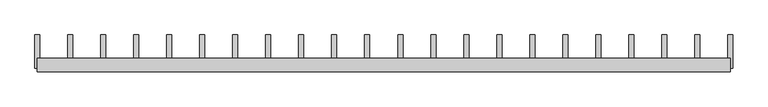
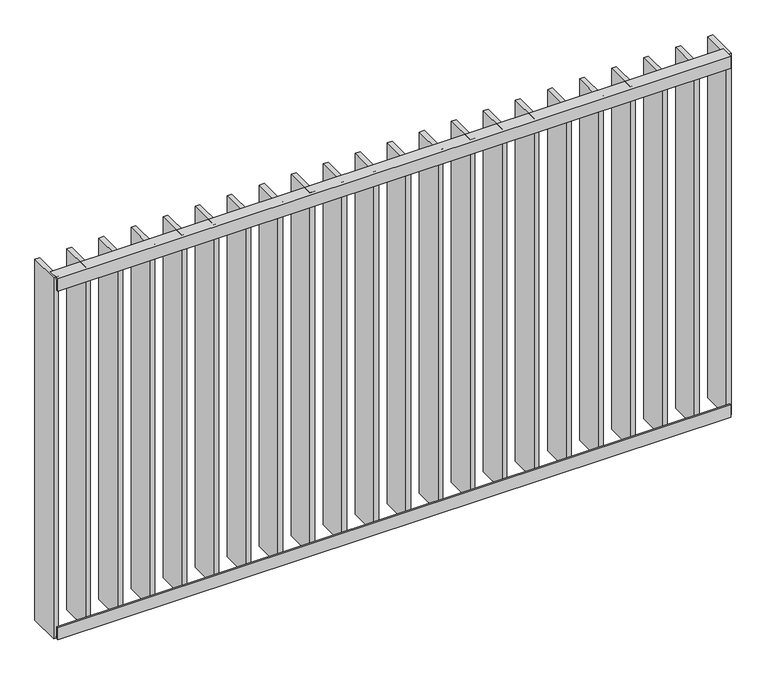
"""IFC4 building model written with IfcOpenShell, lengths in millimetres: railing geometry."""

from ifc_helpers import new_model, si_unit, frame, origin, place, context, project, spatial, polyline, outline, extrude, source, transform, mapped, element, save


def railing_a686d439(model_context):
    return source(origin(), model_context, "Body", "SweptSolid", [
        extrude(outline(polyline([(-14.0, -6.0), (-14.0, -40.0), (-20.0, -40.0), (-20.0, 0.0), (20.0, 0.0), (20.0, -6.0), (-14.0, -6.0)])), frame((4609.5112064, 30791.429446, 8000.0), z_axis=(1.0, -5.045744335172766e-12, 0.0), x_axis=(5.045744335172766e-12, 1.0, 0.0)), (0.0, 0.0, 1.0), 2080.0),
        extrude(outline(polyline([(-14.0, 6.0), (20.0, 6.0), (20.0, 0.0), (-20.0, 0.0), (-20.0, 40.0), (-14.0, 40.0), (-14.0, 6.0)])), frame((4609.5112064, 30791.429446, 6820.0), z_axis=(1.0, -5.045744335172766e-12, 0.0), x_axis=(5.045744335172766e-12, 1.0, 0.0)), (0.0, 0.0, 1.0), 2080.0),
        extrude(outline(polyline([(6582.9635874, 30781.429446), (6582.9635874, 30881.429446), (6597.9635874, 30881.429446), (6597.9635874, 30781.429446), (6582.9635874, 30781.429446)])), frame((0.0, 0.0, 6819.9), z_axis=(0.0, 0.0, 1.0), x_axis=(1.0, 0.0, 0.0)), (0.0, 0.0, 1.0), 1180.2),
        extrude(outline(polyline([(6483.9159683, 30781.429446), (6483.9159683, 30881.429446), (6498.9159683, 30881.429446), (6498.9159683, 30781.429446), (6483.9159683, 30781.429446)])), frame((0.0, 0.0, 6819.9), z_axis=(0.0, 0.0, 1.0), x_axis=(1.0, 0.0, 0.0)), (0.0, 0.0, 1.0), 1180.2),
        extrude(outline(polyline([(6384.8683493, 30781.429446), (6384.8683493, 30881.429446), (6399.8683493, 30881.429446), (6399.8683493, 30781.429446), (6384.8683493, 30781.429446)])), frame((0.0, 0.0, 6819.9), z_axis=(0.0, 0.0, 1.0), x_axis=(1.0, 0.0, 0.0)), (0.0, 0.0, 1.0), 1180.2),
        extrude(outline(polyline([(6285.8207302, 30781.429446), (6285.8207302, 30881.429446), (6300.8207302, 30881.429446), (6300.8207302, 30781.429446), (6285.8207302, 30781.429446)])), frame((0.0, 0.0, 6819.9), z_axis=(0.0, 0.0, 1.0), x_axis=(1.0, 0.0, 0.0)), (0.0, 0.0, 1.0), 1180.2),
        extrude(outline(polyline([(6186.7731112, 30781.429446), (6186.7731112, 30881.429446), (6201.7731112, 30881.429446), (6201.7731112, 30781.429446), (6186.7731112, 30781.429446)])), frame((0.0, 0.0, 6819.9), z_axis=(0.0, 0.0, 1.0), x_axis=(1.0, 0.0, 0.0)), (0.0, 0.0, 1.0), 1180.2),
        extrude(outline(polyline([(6087.7254921, 30781.429446), (6087.7254921, 30881.429446), (6102.7254921, 30881.429446), (6102.7254921, 30781.429446), (6087.7254921, 30781.429446)])), frame((0.0, 0.0, 6819.9), z_axis=(0.0, 0.0, 1.0), x_axis=(1.0, 0.0, 0.0)), (0.0, 0.0, 1.0), 1180.2),
        extrude(outline(polyline([(5988.6778731, 30781.429446), (5988.6778731, 30881.429446), (6003.6778731, 30881.429446), (6003.6778731, 30781.429446), (5988.6778731, 30781.429446)])), frame((0.0, 0.0, 6819.9), z_axis=(0.0, 0.0, 1.0), x_axis=(1.0, 0.0, 0.0)), (0.0, 0.0, 1.0), 1180.2),
        extrude(outline(polyline([(5889.630254, 30781.429446), (5889.630254, 30881.429446), (5904.630254, 30881.429446), (5904.630254, 30781.429446), (5889.630254, 30781.429446)])), frame((0.0, 0.0, 6819.9), z_axis=(0.0, 0.0, 1.0), x_axis=(1.0, 0.0, 0.0)), (0.0, 0.0, 1.0), 1180.2),
        extrude(outline(polyline([(5790.582635, 30781.429446), (5790.582635, 30881.429446), (5805.582635, 30881.429446), (5805.582635, 30781.429446), (5790.582635, 30781.429446)])), frame((0.0, 0.0, 6819.9), z_axis=(0.0, 0.0, 1.0), x_axis=(1.0, 0.0, 0.0)), (0.0, 0.0, 1.0), 1180.2),
        extrude(outline(polyline([(5691.5350159, 30781.429446), (5691.5350159, 30881.429446), (5706.5350159, 30881.429446), (5706.5350159, 30781.429446), (5691.5350159, 30781.429446)])), frame((0.0, 0.0, 6819.9), z_axis=(0.0, 0.0, 1.0), x_axis=(1.0, 0.0, 0.0)), (0.0, 0.0, 1.0), 1180.2),
        extrude(outline(polyline([(5592.4873969, 30781.429446), (5592.4873969, 30881.429446), (5607.4873969, 30881.429446), (5607.4873969, 30781.429446), (5592.4873969, 30781.429446)])), frame((0.0, 0.0, 6819.9), z_axis=(0.0, 0.0, 1.0), x_axis=(1.0, 0.0, 0.0)), (0.0, 0.0, 1.0), 1180.2),
        extrude(outline(polyline([(5493.4397778, 30781.429446), (5493.4397778, 30881.429446), (5508.4397778, 30881.429446), (5508.4397778, 30781.429446), (5493.4397778, 30781.429446)])), frame((0.0, 0.0, 6819.9), z_axis=(0.0, 0.0, 1.0), x_axis=(1.0, 0.0, 0.0)), (0.0, 0.0, 1.0), 1180.2),
        extrude(outline(polyline([(5394.3921588, 30781.429446), (5394.3921588, 30881.429446), (5409.3921588, 30881.429446), (5409.3921588, 30781.429446), (5394.3921588, 30781.429446)])), frame((0.0, 0.0, 6819.9), z_axis=(0.0, 0.0, 1.0), x_axis=(1.0, 0.0, 0.0)), (0.0, 0.0, 1.0), 1180.2),
        extrude(outline(polyline([(5295.3445398, 30781.429446), (5295.3445398, 30881.429446), (5310.3445398, 30881.429446), (5310.3445398, 30781.429446), (5295.3445398, 30781.429446)])), frame((0.0, 0.0, 6819.9), z_axis=(0.0, 0.0, 1.0), x_axis=(1.0, 0.0, 0.0)), (0.0, 0.0, 1.0), 1180.2),
        extrude(outline(polyline([(5196.2969207, 30781.429446), (5196.2969207, 30881.429446), (5211.2969207, 30881.429446), (5211.2969207, 30781.429446), (5196.2969207, 30781.429446)])), frame((0.0, 0.0, 6819.9), z_axis=(0.0, 0.0, 1.0), x_axis=(1.0, 0.0, 0.0)), (0.0, 0.0, 1.0), 1180.2),
        extrude(outline(polyline([(5097.2493017, 30781.429446), (5097.2493017, 30881.429446), (5112.2493017, 30881.429446), (5112.2493017, 30781.429446), (5097.2493017, 30781.429446)])), frame((0.0, 0.0, 6819.9), z_axis=(0.0, 0.0, 1.0), x_axis=(1.0, 0.0, 0.0)), (0.0, 0.0, 1.0), 1180.2),
        extrude(outline(polyline([(4998.2016826, 30781.429446), (4998.2016826, 30881.429446), (5013.2016826, 30881.429446), (5013.2016826, 30781.429446), (4998.2016826, 30781.429446)])), frame((0.0, 0.0, 6819.9), z_axis=(0.0, 0.0, 1.0), x_axis=(1.0, 0.0, 0.0)), (0.0, 0.0, 1.0), 1180.2),
        extrude(outline(polyline([(4899.1540636, 30781.429446), (4899.1540636, 30881.429446), (4914.1540636, 30881.429446), (4914.1540636, 30781.429446), (4899.1540636, 30781.429446)])), frame((0.0, 0.0, 6819.9), z_axis=(0.0, 0.0, 1.0), x_axis=(1.0, 0.0, 0.0)), (0.0, 0.0, 1.0), 1180.2),
        extrude(outline(polyline([(4800.1064445, 30781.429446), (4800.1064445, 30881.429446), (4815.1064445, 30881.429446), (4815.1064445, 30781.429446), (4800.1064445, 30781.429446)])), frame((0.0, 0.0, 6819.9), z_axis=(0.0, 0.0, 1.0), x_axis=(1.0, 0.0, 0.0)), (0.0, 0.0, 1.0), 1180.2),
        extrude(outline(polyline([(4701.0588255, 30781.429446), (4701.0588255, 30881.429446), (4716.0588255, 30881.429446), (4716.0588255, 30781.429446), (4701.0588255, 30781.429446)])), frame((0.0, 0.0, 6819.9), z_axis=(0.0, 0.0, 1.0), x_axis=(1.0, 0.0, 0.0)), (0.0, 0.0, 1.0), 1180.2),
        extrude(outline(polyline([(6682.0112064, 30781.429446), (6682.0112064, 30881.429446), (6697.0112064, 30881.429446), (6697.0112064, 30781.429446), (6682.0112064, 30781.429446)])), frame((0.0, 0.0, 6819.9), z_axis=(0.0, 0.0, 1.0), x_axis=(1.0, 0.0, 0.0)), (0.0, 0.0, 1.0), 1180.2),
        extrude(outline(polyline([(4602.0112064, 30781.429446), (4602.0112064, 30881.429446), (4617.0112064, 30881.429446), (4617.0112064, 30781.429446), (4602.0112064, 30781.429446)])), frame((0.0, 0.0, 6819.9), z_axis=(0.0, 0.0, 1.0), x_axis=(1.0, 0.0, 0.0)), (0.0, 0.0, 1.0), 1180.2),
    ])


if __name__ == "__main__":
    model = new_model("IFC4")
    model_context = context("Model", 3, world=origin())
    ifc_project = project(units=[si_unit("LENGTHUNIT", "METRE", prefix="MILLI")], contexts=[model_context])
    site = spatial("IfcSite", under=ifc_project)
    building = spatial("IfcBuilding", under=site)
    placement = place(None, origin())
    railing_shape = railing_a686d439(model_context)
    element("IfcRailing", 1, at=placement, inside=building, context=model_context, shape_type="MappedRepresentation", body=[
        mapped(railing_shape, transform((0.0, 0.0, 0.0), x_axis=(1.0, 0.0, 0.0), y_axis=(0.0, 1.0, 0.0), z_axis=(0.0, 0.0, 1.0))),
    ])
    save(model, "model.ifc")
